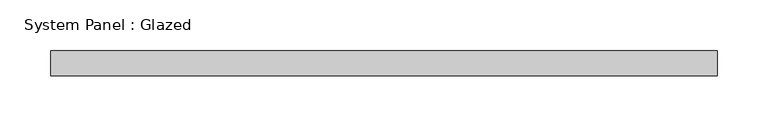
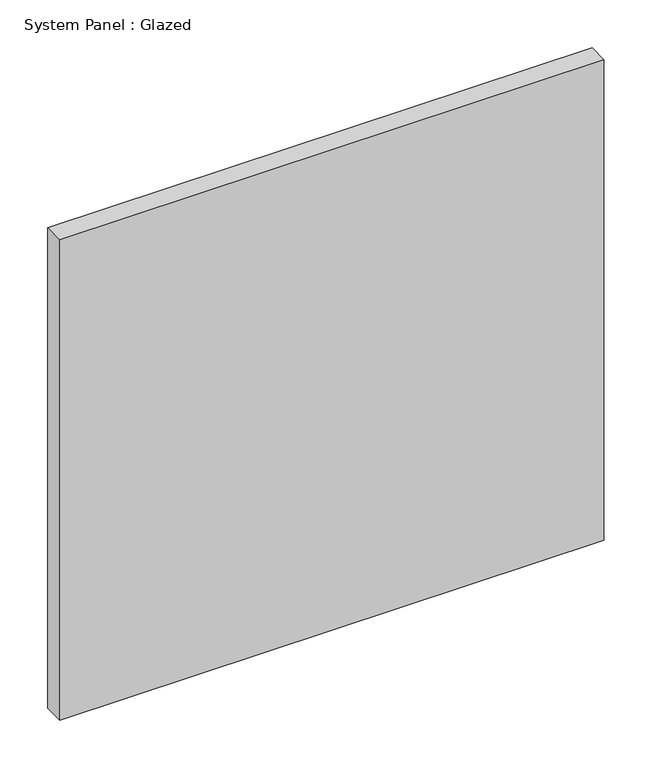
"""IFC4 building model written with IfcOpenShell, lengths in millimetres: plate geometry, System Panel : Glazed."""

import ifcopenshell
import ifcopenshell.guid

model = None  # the IFC model being written
_history = None  # IfcOwnerHistory: only IFC2X3 demands one
_inside = {}  # id of a spatial element -> (the spatial element, [elements in it])
_under = {}  # id of a project, library or spatial element -> (it, [spatial elements below it])
_declared = {}  # id of a project -> (the project, [libraries it declares])
_typed = {}  # id of a type object -> (the type object, [elements of that type])
_made_of = {}  # id of a material, layer set ... -> (it, [elements and type objects made of it])


def new_model(schema):
    """Start an empty IFC model of exactly this schema.

    Asked for "IFC4X3", IfcOpenShell would pick the latest addendum, in which some entities
    have other attributes; the version numbers below select the first issue.
    IFC2X3 requires an IfcOwnerHistory on every rooted entity: one is made here for all.
    """
    global model, _history
    if schema == "IFC4X3":
        model = ifcopenshell.file(schema_version=(4, 3, 0, 0))
    else:
        model = ifcopenshell.file(schema=schema)
    _inside.clear()
    _under.clear()
    _declared.clear()
    _typed.clear()
    _made_of.clear()
    _history = None
    if model.schema == "IFC2X3":
        org = make("IfcOrganization", Name="unknown")
        user = make(
            "IfcPersonAndOrganization",
            ThePerson=make("IfcPerson", FamilyName="unknown"),
            TheOrganization=org,
        )
        app = make(
            "IfcApplication",
            ApplicationDeveloper=org,
            Version="unknown",
            ApplicationFullName="unknown",
            ApplicationIdentifier="unknown",
        )
        _history = make(
            "IfcOwnerHistory",
            OwningUser=user,
            OwningApplication=app,
            ChangeAction="ADDED",
            CreationDate=0,
        )
    return model


def make(cls, **values):
    """One entity of the class cls with the attributes given. An attribute that is None is left unset."""
    return model.create_entity(
        cls, **{name: value for name, value in values.items() if value is not None}
    )


def rooted(cls, **values):
    """An entity with a GlobalId (a new one), such as an element, a storey or a relation."""
    return make(cls, GlobalId=ifcopenshell.guid.new(), OwnerHistory=_history, **values)


def si_unit(unit_type, name, prefix=None):
    """IfcSIUnit, for example si_unit("LENGTHUNIT", "METRE", prefix="MILLI")."""
    return make("IfcSIUnit", UnitType=unit_type, Prefix=prefix, Name=name)


def assignment(units):
    """IfcUnitAssignment: the units of a project."""
    return None if units is None else make("IfcUnitAssignment", Units=units)


def point(xyz):
    """IfcCartesianPoint."""
    return None if xyz is None else make("IfcCartesianPoint", Coordinates=xyz)


def direction(xyz):
    """IfcDirection."""
    return None if xyz is None else make("IfcDirection", DirectionRatios=xyz)


def frame(location, z_axis=None, x_axis=None):
    """IfcAxis2Placement3D, a coordinate frame: its origin and axes. An axis left out is left unset."""
    return make(
        "IfcAxis2Placement3D",
        Location=point(location),
        Axis=direction(z_axis),
        RefDirection=direction(x_axis),
    )


def origin():
    """The frame at (0, 0, 0) with its axes left unset."""
    return frame((0.0, 0.0, 0.0))


def origin_with_axes():
    """The frame at (0, 0, 0) with the z axis (0, 0, 1) and the x axis (1, 0, 0) written out."""
    return frame((0.0, 0.0, 0.0), z_axis=(0.0, 0.0, 1.0), x_axis=(1.0, 0.0, 0.0))


def place(relative_to, where):
    """IfcLocalPlacement: puts the frame where relative to a parent placement (None: the world)."""
    return make(
        "IfcLocalPlacement", PlacementRelTo=relative_to, RelativePlacement=where
    )


def context(
    kind, dimensions, precision=None, world=None, true_north=None, identifier=None
):
    """IfcGeometricRepresentationContext, for example the 3D "Model" context."""
    return make(
        "IfcGeometricRepresentationContext",
        ContextIdentifier=identifier,
        ContextType=kind,
        CoordinateSpaceDimension=dimensions,
        Precision=precision,
        WorldCoordinateSystem=world,
        TrueNorth=true_north,
    )


def project(units=None, contexts=None):
    """IfcProject with its units and contexts."""
    return rooted(
        "IfcProject",
        Name="project",
        RepresentationContexts=contexts,
        UnitsInContext=assignment(units),
    )


def spatial(cls, under=None, at=None, **own):
    """A site, building, storey or space (cls), placed at a placement, below another one or the project."""
    s = rooted(cls, ObjectPlacement=at, **own)
    if under is not None:
        _under.setdefault(under.id(), (under, []))[1].append(s)
    return s


def polyline(points):
    """IfcPolyline through the points."""
    return make("IfcPolyline", Points=[point(p) for p in points])


def outline(outer, holes=None, kind="AREA"):
    """IfcArbitraryClosedProfileDef: a profile drawn as a closed curve; with holes, ...WithVoids."""
    if holes is None:
        return make("IfcArbitraryClosedProfileDef", ProfileType=kind, OuterCurve=outer)
    return make(
        "IfcArbitraryProfileDefWithVoids",
        ProfileType=kind,
        OuterCurve=outer,
        InnerCurves=holes,
    )


def extrude(swept, where, along, depth):
    """IfcExtrudedAreaSolid: the profile swept, set in the frame where, extruded along a direction by depth."""
    return make(
        "IfcExtrudedAreaSolid",
        SweptArea=swept,
        Position=where,
        ExtrudedDirection=direction(along),
        Depth=depth,
    )


def shape(context_of_items, identifier, shape_type, items):
    """IfcShapeRepresentation: the items that make up one representation, for example the "Body"."""
    return make(
        "IfcShapeRepresentation",
        ContextOfItems=context_of_items,
        RepresentationIdentifier=identifier,
        RepresentationType=shape_type,
        Items=items,
    )


def source(mapping_origin, context_of_items, identifier, shape_type, items):
    """IfcRepresentationMap: a shape defined once, which mapped items show again and again."""
    return make(
        "IfcRepresentationMap",
        MappingOrigin=mapping_origin,
        MappedRepresentation=shape(context_of_items, identifier, shape_type, items),
    )


def transform(
    local_origin,
    x_axis=None,
    y_axis=None,
    z_axis=None,
    scale=None,
    scale2=None,
    scale3=None,
    uniform=True,
):
    """IfcCartesianTransformationOperator3D, or its non-uniform kind. x_axis, y_axis, z_axis: its Axis1, 2, 3."""
    if uniform:
        return make(
            "IfcCartesianTransformationOperator3D",
            Axis1=direction(x_axis),
            Axis2=direction(y_axis),
            LocalOrigin=point(local_origin),
            Scale=scale,
            Axis3=direction(z_axis),
        )
    return make(
        "IfcCartesianTransformationOperator3DnonUniform",
        Axis1=direction(x_axis),
        Axis2=direction(y_axis),
        LocalOrigin=point(local_origin),
        Scale=scale,
        Axis3=direction(z_axis),
        Scale2=scale2,
        Scale3=scale3,
    )


def mapped(mapping_source, mapping_target):
    """IfcMappedItem: shows the shape of a source again, moved by a transform."""
    return make(
        "IfcMappedItem", MappingSource=mapping_source, MappingTarget=mapping_target
    )


def made_of(thing, what):
    """Note that an element or type object is made of a material, layer set ...; save() writes the relation."""
    if what is not None:
        _made_of.setdefault(what.id(), (what, []))[1].append(thing)
    return thing


def element(
    cls,
    number,
    at=None,
    inside=None,
    cuts=None,
    type_object=None,
    material=None,
    context=None,
    identifier="Body",
    shape_type=None,
    held_by="IfcProductDefinitionShape",
    body=None,
    shapes=None,
    **own,
):
    """One element of the class cls, such as IfcWall. Its Tag is "e" and its number.

    at: its placement. inside: the storey or other place that contains it. cuts: it is an
    opening in that element (IfcRelVoidsElement). A single representation is given by context,
    identifier, shape_type and body (its items); several are given by shapes. held_by: the class
    of the entity that holds the representations. save() writes the other relations.
    """
    e = rooted(cls, Tag="e%d" % number, ObjectPlacement=at, **own)
    if body is not None:
        shapes = [shape(context, identifier, shape_type, body)]
    if shapes is not None:
        e.Representation = make(held_by, Representations=shapes)
    if inside is not None:
        _inside.setdefault(inside.id(), (inside, []))[1].append(e)
    if cuts is not None:
        rooted(
            "IfcRelVoidsElement", RelatingBuildingElement=cuts, RelatedOpeningElement=e
        )
    if type_object is not None:
        _typed.setdefault(type_object.id(), (type_object, []))[1].append(e)
    return made_of(e, material)


def aggregate(whole, parts):
    """IfcRelAggregates: a whole, such as a stair, and the parts it consists of."""
    return rooted("IfcRelAggregates", RelatingObject=whole, RelatedObjects=parts)


def save(model, path):
    """Write the relations noted so far, then the file.

    IfcRelAggregates (storeys below a building ...), IfcRelContainedInSpatialStructure (elements
    in a storey), IfcRelDefinesByType, IfcRelAssociatesMaterial and IfcRelDeclares: one each for
    every whole, place, type object, material and project.
    """
    for whole, parts in _under.values():
        aggregate(whole, parts)
    for where, things in _inside.values():
        rooted(
            "IfcRelContainedInSpatialStructure",
            RelatedElements=things,
            RelatingStructure=where,
        )
    for kind, things in _typed.values():
        rooted("IfcRelDefinesByType", RelatedObjects=things, RelatingType=kind)
    for what, things in _made_of.values():
        rooted("IfcRelAssociatesMaterial", RelatedObjects=things, RelatingMaterial=what)
    for by, libraries in _declared.values():
        rooted("IfcRelDeclares", RelatingContext=by, RelatedDefinitions=libraries)
    model.write(path)


def system_panel_glazed_8b695d12(model_context):
    return source(origin(), model_context, "Body", "SweptSolid", [
        extrude(outline(polyline([(329.5, -49.5), (-329.5, -49.5), (-329.5, -24.5), (329.5, -24.5), (329.5, -49.5)])), origin_with_axes(), (0.0, 0.0, 1.0), 615.0),
    ])


if __name__ == "__main__":
    model = new_model("IFC4")
    model_context = context("Model", 3, world=origin())
    ifc_project = project(units=[si_unit("LENGTHUNIT", "METRE", prefix="MILLI")], contexts=[model_context])
    site = spatial("IfcSite", under=ifc_project)
    building = spatial("IfcBuilding", under=site)
    placement = place(None, origin())
    system_panel_glazed_shape = system_panel_glazed_8b695d12(model_context)
    element("IfcPlate", 1, ObjectType="System Panel : Glazed", at=placement, inside=building, context=model_context, shape_type="MappedRepresentation", body=[
        mapped(system_panel_glazed_shape, transform((0.0, 0.0, 0.0), x_axis=(1.0, 0.0, 0.0), y_axis=(0.0, 1.0, 0.0), z_axis=(0.0, 0.0, 1.0))),
    ])
    save(model, "model.ifc")
